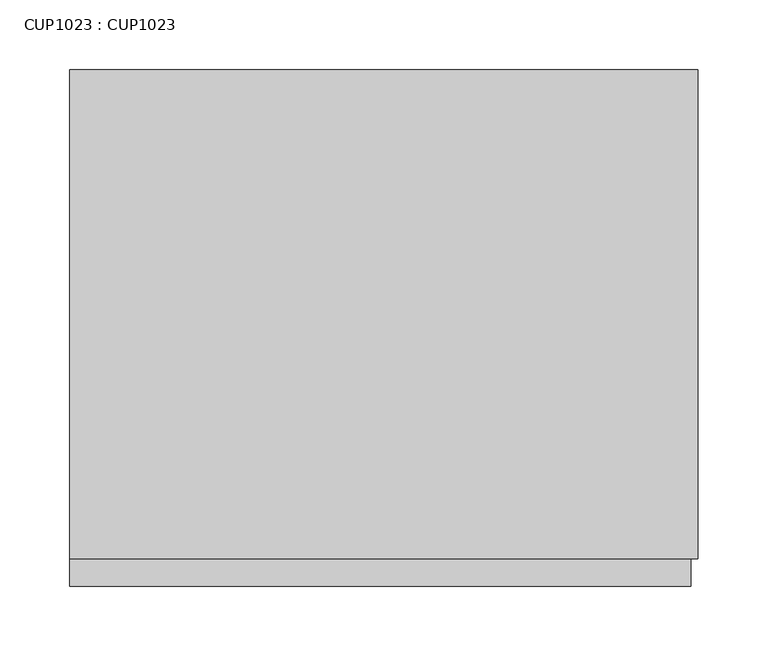
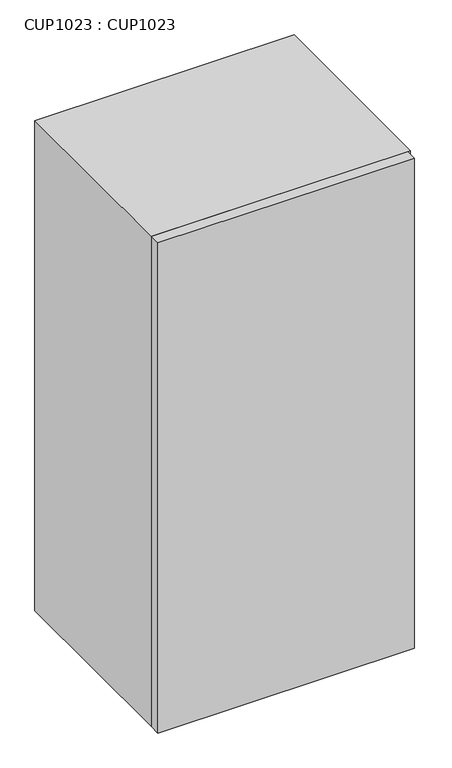
"""IFC4 building model written with IfcOpenShell, lengths in millimetres: proxy geometry, CUP1023 : CUP1023."""

import ifcopenshell
import ifcopenshell.guid

model = None  # the IFC model being written
_history = None  # IfcOwnerHistory: only IFC2X3 demands one
_inside = {}  # id of a spatial element -> (the spatial element, [elements in it])
_under = {}  # id of a project, library or spatial element -> (it, [spatial elements below it])
_declared = {}  # id of a project -> (the project, [libraries it declares])
_typed = {}  # id of a type object -> (the type object, [elements of that type])
_made_of = {}  # id of a material, layer set ... -> (it, [elements and type objects made of it])


def new_model(schema):
    """Start an empty IFC model of exactly this schema.

    Asked for "IFC4X3", IfcOpenShell would pick the latest addendum, in which some entities
    have other attributes; the version numbers below select the first issue.
    IFC2X3 requires an IfcOwnerHistory on every rooted entity: one is made here for all.
    """
    global model, _history
    if schema == "IFC4X3":
        model = ifcopenshell.file(schema_version=(4, 3, 0, 0))
    else:
        model = ifcopenshell.file(schema=schema)
    _inside.clear()
    _under.clear()
    _declared.clear()
    _typed.clear()
    _made_of.clear()
    _history = None
    if model.schema == "IFC2X3":
        org = make("IfcOrganization", Name="unknown")
        user = make(
            "IfcPersonAndOrganization",
            ThePerson=make("IfcPerson", FamilyName="unknown"),
            TheOrganization=org,
        )
        app = make(
            "IfcApplication",
            ApplicationDeveloper=org,
            Version="unknown",
            ApplicationFullName="unknown",
            ApplicationIdentifier="unknown",
        )
        _history = make(
            "IfcOwnerHistory",
            OwningUser=user,
            OwningApplication=app,
            ChangeAction="ADDED",
            CreationDate=0,
        )
    return model


def make(cls, **values):
    """One entity of the class cls with the attributes given. An attribute that is None is left unset."""
    return model.create_entity(
        cls, **{name: value for name, value in values.items() if value is not None}
    )


def rooted(cls, **values):
    """An entity with a GlobalId (a new one), such as an element, a storey or a relation."""
    return make(cls, GlobalId=ifcopenshell.guid.new(), OwnerHistory=_history, **values)


def si_unit(unit_type, name, prefix=None):
    """IfcSIUnit, for example si_unit("LENGTHUNIT", "METRE", prefix="MILLI")."""
    return make("IfcSIUnit", UnitType=unit_type, Prefix=prefix, Name=name)


def assignment(units):
    """IfcUnitAssignment: the units of a project."""
    return None if units is None else make("IfcUnitAssignment", Units=units)


def point(xyz):
    """IfcCartesianPoint."""
    return None if xyz is None else make("IfcCartesianPoint", Coordinates=xyz)


def direction(xyz):
    """IfcDirection."""
    return None if xyz is None else make("IfcDirection", DirectionRatios=xyz)


def frame(location, z_axis=None, x_axis=None):
    """IfcAxis2Placement3D, a coordinate frame: its origin and axes. An axis left out is left unset."""
    return make(
        "IfcAxis2Placement3D",
        Location=point(location),
        Axis=direction(z_axis),
        RefDirection=direction(x_axis),
    )


def origin():
    """The frame at (0, 0, 0) with its axes left unset."""
    return frame((0.0, 0.0, 0.0))


def origin_with_axes():
    """The frame at (0, 0, 0) with the z axis (0, 0, 1) and the x axis (1, 0, 0) written out."""
    return frame((0.0, 0.0, 0.0), z_axis=(0.0, 0.0, 1.0), x_axis=(1.0, 0.0, 0.0))


def place(relative_to, where):
    """IfcLocalPlacement: puts the frame where relative to a parent placement (None: the world)."""
    return make(
        "IfcLocalPlacement", PlacementRelTo=relative_to, RelativePlacement=where
    )


def context(
    kind, dimensions, precision=None, world=None, true_north=None, identifier=None
):
    """IfcGeometricRepresentationContext, for example the 3D "Model" context."""
    return make(
        "IfcGeometricRepresentationContext",
        ContextIdentifier=identifier,
        ContextType=kind,
        CoordinateSpaceDimension=dimensions,
        Precision=precision,
        WorldCoordinateSystem=world,
        TrueNorth=true_north,
    )


def project(units=None, contexts=None):
    """IfcProject with its units and contexts."""
    return rooted(
        "IfcProject",
        Name="project",
        RepresentationContexts=contexts,
        UnitsInContext=assignment(units),
    )


def spatial(cls, under=None, at=None, **own):
    """A site, building, storey or space (cls), placed at a placement, below another one or the project."""
    s = rooted(cls, ObjectPlacement=at, **own)
    if under is not None:
        _under.setdefault(under.id(), (under, []))[1].append(s)
    return s


def polyline(points):
    """IfcPolyline through the points."""
    return make("IfcPolyline", Points=[point(p) for p in points])


def outline(outer, holes=None, kind="AREA"):
    """IfcArbitraryClosedProfileDef: a profile drawn as a closed curve; with holes, ...WithVoids."""
    if holes is None:
        return make("IfcArbitraryClosedProfileDef", ProfileType=kind, OuterCurve=outer)
    return make(
        "IfcArbitraryProfileDefWithVoids",
        ProfileType=kind,
        OuterCurve=outer,
        InnerCurves=holes,
    )


def extrude(swept, where, along, depth):
    """IfcExtrudedAreaSolid: the profile swept, set in the frame where, extruded along a direction by depth."""
    return make(
        "IfcExtrudedAreaSolid",
        SweptArea=swept,
        Position=where,
        ExtrudedDirection=direction(along),
        Depth=depth,
    )


def shape(context_of_items, identifier, shape_type, items):
    """IfcShapeRepresentation: the items that make up one representation, for example the "Body"."""
    return make(
        "IfcShapeRepresentation",
        ContextOfItems=context_of_items,
        RepresentationIdentifier=identifier,
        RepresentationType=shape_type,
        Items=items,
    )


def source(mapping_origin, context_of_items, identifier, shape_type, items):
    """IfcRepresentationMap: a shape defined once, which mapped items show again and again."""
    return make(
        "IfcRepresentationMap",
        MappingOrigin=mapping_origin,
        MappedRepresentation=shape(context_of_items, identifier, shape_type, items),
    )


def transform(
    local_origin,
    x_axis=None,
    y_axis=None,
    z_axis=None,
    scale=None,
    scale2=None,
    scale3=None,
    uniform=True,
):
    """IfcCartesianTransformationOperator3D, or its non-uniform kind. x_axis, y_axis, z_axis: its Axis1, 2, 3."""
    if uniform:
        return make(
            "IfcCartesianTransformationOperator3D",
            Axis1=direction(x_axis),
            Axis2=direction(y_axis),
            LocalOrigin=point(local_origin),
            Scale=scale,
            Axis3=direction(z_axis),
        )
    return make(
        "IfcCartesianTransformationOperator3DnonUniform",
        Axis1=direction(x_axis),
        Axis2=direction(y_axis),
        LocalOrigin=point(local_origin),
        Scale=scale,
        Axis3=direction(z_axis),
        Scale2=scale2,
        Scale3=scale3,
    )


def mapped(mapping_source, mapping_target):
    """IfcMappedItem: shows the shape of a source again, moved by a transform."""
    return make(
        "IfcMappedItem", MappingSource=mapping_source, MappingTarget=mapping_target
    )


def made_of(thing, what):
    """Note that an element or type object is made of a material, layer set ...; save() writes the relation."""
    if what is not None:
        _made_of.setdefault(what.id(), (what, []))[1].append(thing)
    return thing


def element(
    cls,
    number,
    at=None,
    inside=None,
    cuts=None,
    type_object=None,
    material=None,
    context=None,
    identifier="Body",
    shape_type=None,
    held_by="IfcProductDefinitionShape",
    body=None,
    shapes=None,
    **own,
):
    """One element of the class cls, such as IfcWall. Its Tag is "e" and its number.

    at: its placement. inside: the storey or other place that contains it. cuts: it is an
    opening in that element (IfcRelVoidsElement). A single representation is given by context,
    identifier, shape_type and body (its items); several are given by shapes. held_by: the class
    of the entity that holds the representations. save() writes the other relations.
    """
    e = rooted(cls, Tag="e%d" % number, ObjectPlacement=at, **own)
    if body is not None:
        shapes = [shape(context, identifier, shape_type, body)]
    if shapes is not None:
        e.Representation = make(held_by, Representations=shapes)
    if inside is not None:
        _inside.setdefault(inside.id(), (inside, []))[1].append(e)
    if cuts is not None:
        rooted(
            "IfcRelVoidsElement", RelatingBuildingElement=cuts, RelatedOpeningElement=e
        )
    if type_object is not None:
        _typed.setdefault(type_object.id(), (type_object, []))[1].append(e)
    return made_of(e, material)


def aggregate(whole, parts):
    """IfcRelAggregates: a whole, such as a stair, and the parts it consists of."""
    return rooted("IfcRelAggregates", RelatingObject=whole, RelatedObjects=parts)


def save(model, path):
    """Write the relations noted so far, then the file.

    IfcRelAggregates (storeys below a building ...), IfcRelContainedInSpatialStructure (elements
    in a storey), IfcRelDefinesByType, IfcRelAssociatesMaterial and IfcRelDeclares: one each for
    every whole, place, type object, material and project.
    """
    for whole, parts in _under.values():
        aggregate(whole, parts)
    for where, things in _inside.values():
        rooted(
            "IfcRelContainedInSpatialStructure",
            RelatedElements=things,
            RelatingStructure=where,
        )
    for kind, things in _typed.values():
        rooted("IfcRelDefinesByType", RelatedObjects=things, RelatingType=kind)
    for what, things in _made_of.values():
        rooted("IfcRelAssociatesMaterial", RelatedObjects=things, RelatingMaterial=what)
    for by, libraries in _declared.values():
        rooted("IfcRelDeclares", RelatingContext=by, RelatedDefinitions=libraries)
    model.write(path)


def cup1023_cup1023_66a95e19(model_context):
    return source(origin(), model_context, "Body", "SweptSolid", [
        extrude(outline(polyline([(450.0, 0.0), (450.0, -350.0), (0.0, -350.0), (0.0, 0.0), (450.0, 0.0)])), origin_with_axes(), (0.0, 0.0, 1.0), 900.0),
        extrude(outline(polyline([(445.0, -350.0), (445.0, -370.0), (0.0, -370.0), (0.0, -350.0), (445.0, -350.0)])), origin_with_axes(), (0.0, 0.0, 1.0), 900.0),
    ])


if __name__ == "__main__":
    model = new_model("IFC4")
    model_context = context("Model", 3, world=origin())
    ifc_project = project(units=[si_unit("LENGTHUNIT", "METRE", prefix="MILLI")], contexts=[model_context])
    site = spatial("IfcSite", under=ifc_project)
    building = spatial("IfcBuilding", under=site)
    placement = place(None, origin())
    cup1023_cup1023_shape = cup1023_cup1023_66a95e19(model_context)
    element("IfcBuildingElementProxy", 1, Name="CUP1023 : CUP1023", ObjectType="CUP1023 : CUP1023", at=placement, inside=building, context=model_context, shape_type="MappedRepresentation", body=[
        mapped(cup1023_cup1023_shape, transform((0.0, 0.0, 0.0), x_axis=(1.0, 0.0, 0.0), y_axis=(0.0, 1.0, 0.0), z_axis=(0.0, 0.0, 1.0))),
    ])
    save(model, "model.ifc")
